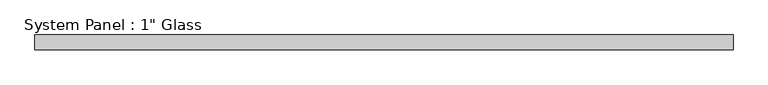
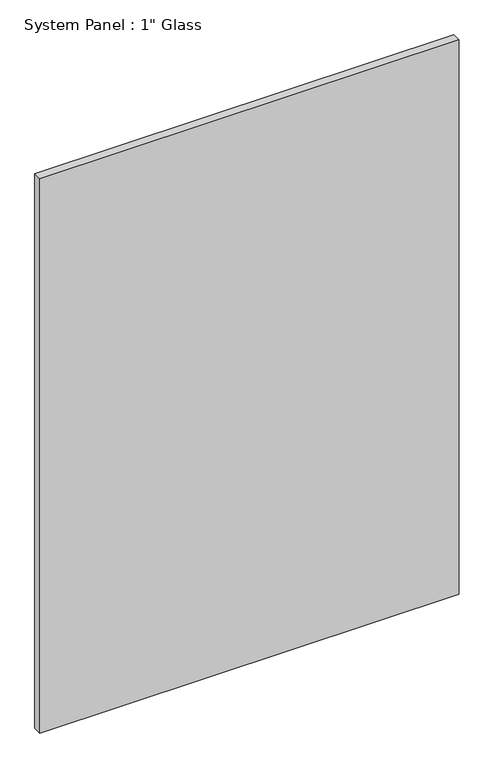
"""IFC4 building model written with IfcOpenShell, lengths in millimetres: plate geometry."""

from ifc_helpers import new_model, si_unit, origin, origin_with_axes, place, context, project, spatial, polyline, outline, extrude, source, transform, mapped, element, save


def plate_f2c26574(model_context):
    return source(origin(), model_context, "Body", "SweptSolid", [
        extrude(outline(polyline([(606.425, -12.7), (-606.425, -12.7), (-606.425, 12.7), (606.425, 12.7), (606.425, -12.7)])), origin_with_axes(), (0.0, 0.0, 1.0), 1695.45),
    ])


if __name__ == "__main__":
    model = new_model("IFC4")
    model_context = context("Model", 3, world=origin())
    ifc_project = project(units=[si_unit("LENGTHUNIT", "METRE", prefix="MILLI")], contexts=[model_context])
    site = spatial("IfcSite", under=ifc_project)
    building = spatial("IfcBuilding", under=site)
    placement = place(None, origin())
    plate_shape = plate_f2c26574(model_context)
    element("IfcPlate", 1, ObjectType="System Panel : 1\" Glass", at=placement, inside=building, context=model_context, shape_type="MappedRepresentation", body=[
        mapped(plate_shape, transform((0.0, 0.0, 0.0), x_axis=(1.0, 0.0, 0.0), y_axis=(0.0, 1.0, 0.0), z_axis=(0.0, 0.0, 1.0))),
    ])
    save(model, "model.ifc")
